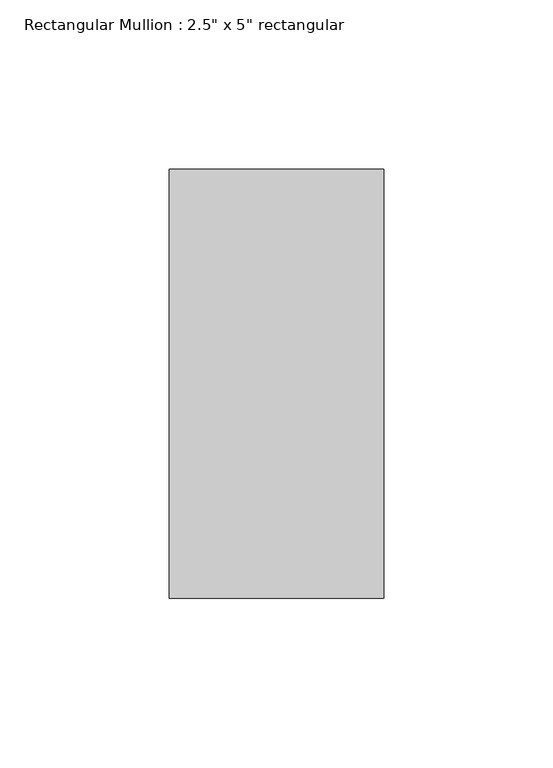
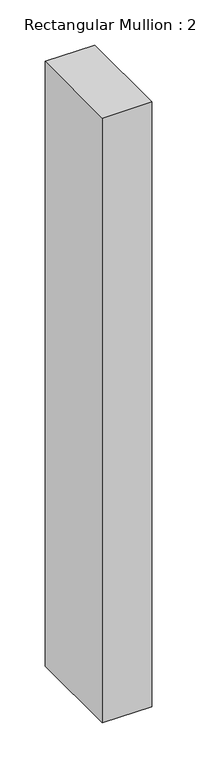
"""IFC4 building model written with IfcOpenShell, lengths in millimetres: member geometry."""

from ifc_helpers import new_model, si_unit, frame, origin, place, context, project, spatial, polyline, outline, extrude, source, transform, mapped, element, save


def member_8675b203(model_context):
    return source(origin(), model_context, "Body", "SweptSolid", [
        extrude(outline(polyline([(0.0, 63.5), (0.0, -63.5), (-63.5, -63.5), (-63.5, 63.5), (0.0, 63.5)])), frame((0.0, 0.0, -820.0), z_axis=(0.0, 0.0, 1.0), x_axis=(1.0, 0.0, 0.0)), (0.0, 0.0, 1.0), 820.0),
    ])


if __name__ == "__main__":
    model = new_model("IFC4")
    model_context = context("Model", 3, world=origin())
    ifc_project = project(units=[si_unit("LENGTHUNIT", "METRE", prefix="MILLI")], contexts=[model_context])
    site = spatial("IfcSite", under=ifc_project)
    building = spatial("IfcBuilding", under=site)
    placement = place(None, origin())
    member_shape = member_8675b203(model_context)
    element("IfcMember", 1, ObjectType="Rectangular Mullion : 2.5\" x 5\" rectangular", at=placement, inside=building, context=model_context, shape_type="MappedRepresentation", body=[
        mapped(member_shape, transform((0.0, 0.0, 0.0), x_axis=(1.0, 0.0, 0.0), y_axis=(0.0, 1.0, 0.0), z_axis=(0.0, 0.0, 1.0))),
    ])
    save(model, "model.ifc")
